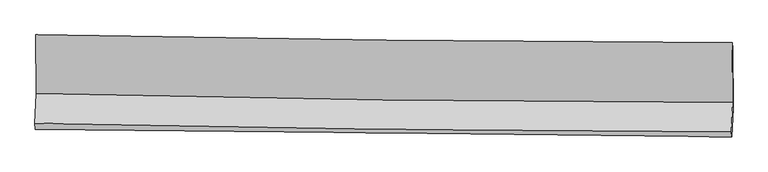
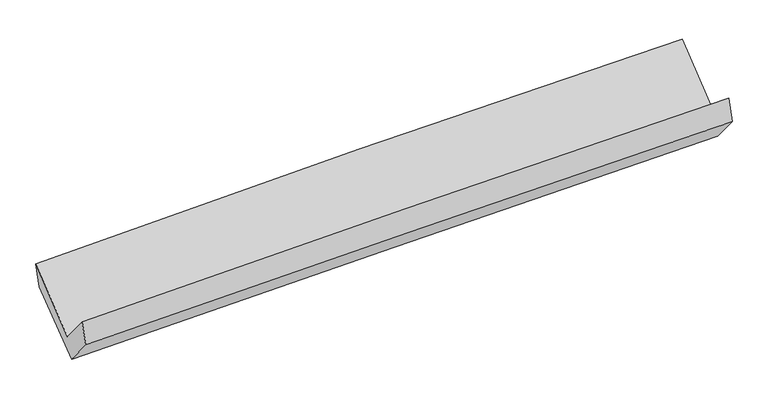
"""IFC4 building model written with IfcOpenShell, lengths in millimetres: proxy geometry."""

from ifc_helpers import new_model, si_unit, frame, origin, place, context, project, spatial, source, transform, mapped, element, save
from ifc_brep_helpers import plane_surface, spline_curve, spline_surface, advanced_brep


def generic_models_bc52483b(model_context):
    return source(origin(), model_context, "Body", "AdvancedBrep", [
        advanced_brep(
        [(-3018.292969, -1160.669814, 2152.8210504), (-3014.967945, -1670.4735003, 1736.0861121), (3005.9652437, -1745.7382436, 1894.2193115), (3002.2799324, -1230.4864732, 2315.3966714), (-3025.5612879, -1927.2039732, 2045.4226789), (2995.3680495, -2002.5620528, 2203.6683399), (-3021.5488432, -1980.161059, 1846.9359151), (2999.8573902, -2045.9438693, 1993.6449615), (-3011.4440889, -1735.2715675, 1551.86664), (3009.9799633, -1800.6225392, 1698.0553607), (-3014.3045378, -1215.1839023, 1954.5076129), (3006.746927, -1272.0673401, 2107.2407847)],
        [
            (0, 1),
            (1, 2, spline_curve(3, [(-3014.967945, -1670.4735003, 1736.0861121), (-2012.068680874, -1694.599694071, 1780.472392822), (-1008.866888138, -1712.934860275, 1815.843364264), (998.11086033, -1738.022751322, 1868.553875311), (2001.886796761, -1744.77583303, 1885.893970732), (3005.9652437, -1745.7382436, 1894.2193115)], [4, 2, 4], [0.0, 9.881522525070913, 19.762740822590324])),
            (2, 3),
            (3, 0, spline_curve(3, [(3002.2799324, -1230.4864732, 2315.3966714), (1998.232053339, -1226.03664506, 2309.923909899), (994.501423714, -1217.993820673, 2293.639935717), (-1012.356229872, -1194.721822478, 2239.448727664), (-2015.483234103, -1179.492426646, 2201.540828359), (-3018.292969, -1160.669814, 2152.8210504)], [4, 2, 4], [0.0, 9.88121829751941, 19.762740822590324])),
            (1, 4),
            (4, 5, spline_curve(3, [(-3025.5612879, -1927.2039732, 2045.4226789), (-2022.662665722, -1951.345722723, 2089.827703139), (-1019.461514872, -1969.696444785, 2125.217417706), (987.514949885, -1994.815448333, 2177.965416492), (1991.290244654, -2001.584085802, 2195.324255227), (2995.3680495, -2002.5620528, 2203.6683399)], [4, 2, 4], [0.0, 9.88174980975154, 19.763195384954045])),
            (5, 2),
            (4, 6),
            (6, 7, spline_curve(3, [(-3021.5488432, -1980.161059, 1846.9359151), (-2018.087780523, -1991.002410767, 1875.315297317), (-1014.565671084, -2001.905072816, 1901.730900361), (992.569743649, -2023.83268003, 1950.633794628), (1996.183045526, -2034.857621251, 1973.121207322), (2999.8573902, -2045.9438693, 1993.6449615)], [4, 2, 4], [0.0, 9.88142801816729, 19.76255181169271])),
            (7, 5),
            (6, 8),
            (8, 9, spline_curve(3, [(-3011.4440889, -1735.2715675, 1551.86664), (-2008.06786737, -1748.169046502, 1582.723466357), (-1004.586692493, -1760.063768958, 1610.334410318), (1002.554664368, -1781.847364506, 1659.063784143), (2006.214840689, -1791.736299317, 1680.18241344), (3009.9799633, -1800.6225392, 1698.0553607)], [4, 2, 4], [0.0, 9.881348543738067, 19.762392865281086])),
            (9, 7),
            (8, 10),
            (10, 11, spline_curve(3, [(-3014.3045378, -1215.1839023, 1954.5076129), (-2011.021247868, -1221.211655238, 1990.680988058), (-1007.61758825, -1228.965917664, 2021.495553092), (999.399574036, -1247.927170046, 2072.406280589), (2003.013069304, -1259.13405335, 2092.502772371), (3006.746927, -1272.0673401, 2107.2407847)], [4, 2, 4], [0.0, 9.881169645850814, 19.762035075014403])),
            (11, 9),
            (10, 0),
            (3, 11),
        ],
        [
            spline_surface(3, 3, [[(-3018.292969, -1160.669814, 2152.8210504), (-2015.483233942, -1179.492426797, 2201.540828233), (-1012.356229753, -1194.721822328, 2239.448727718), (994.501423595, -1217.993820823, 2293.639935663), (1998.232053181, -1226.036645003, 2309.923909825), (3002.2799324, -1230.4864732, 2315.3966714)], [(-3017.184627671, -1330.604376097, 2013.909404307), (-2014.345049611, -1351.194849192, 2061.184683156), (-1011.193115863, -1367.459501594, 2098.246939866), (995.704569103, -1391.336797661, 2151.944582281), (1999.450301049, -1398.94970765, 2168.580596812), (3003.508369489, -1402.237063339, 2175.004218093)], [(-3016.076286329, -1500.538938203, 1874.997758193), (-2013.206865268, -1522.897271597, 1920.828538057), (-1010.030001894, -1540.197180927, 1957.045151962), (996.907714689, -1564.679774565, 2010.249228846), (2000.66854895, -1571.862770281, 2027.23728382), (3004.736806611, -1573.987653461, 2034.611764807)], [(-3014.967945, -1670.4735003, 1736.0861121), (-2012.068680937, -1694.599693992, 1780.47239298), (-1008.866888004, -1712.934860194, 1815.84336411), (998.110860197, -1738.022751403, 1868.553875464), (2001.886796818, -1744.775832928, 1885.893970807), (3005.9652437, -1745.7382436, 1894.2193115)]], [4, 4], [4, 2, 4], [0.0, 2.1997986947496604], [0.0, 9.881522525070913, 19.762740822590324]),
            spline_surface(3, 3, [[(-3014.967945, -1670.4735003, 1736.0861121), (-2012.068680937, -1694.599693992, 1780.47239298), (-1008.866888004, -1712.934860194, 1815.84336411), (998.110860197, -1738.022751403, 1868.553875464), (2001.886796818, -1744.775832928, 1885.893970807), (3005.9652437, -1745.7382436, 1894.2193115)], [(-3018.499059299, -1756.050324595, 1839.19830101), (-2015.600009193, -1780.181703556, 1883.590829661), (-1012.398430221, -1798.522055106, 1918.968048659), (994.578890059, -1823.620317012, 1971.691055747), (1998.35461272, -1830.378583886, 1989.037398957), (3002.432845638, -1831.346179986, 1997.368987613)], [(-3022.030173601, -1841.627148905, 1942.31048999), (-2019.131337452, -1865.763713135, 1986.709266412), (-1015.929972496, -1884.109249997, 2022.092733272), (991.046919863, -1909.2178826, 2074.828236095), (1994.822428608, -1915.981334886, 2092.180827167), (2998.900447562, -1916.954116414, 2100.518663787)], [(-3025.5612879, -1927.2039732, 2045.4226789), (-2022.662665708, -1951.345722698, 2089.827703093), (-1019.461514713, -1969.696444909, 2125.21741782), (987.514949725, -1994.815448209, 2177.965416377), (1991.290244509, -2001.584085843, 2195.324255317), (2995.3680495, -2002.5620528, 2203.6683399)]], [4, 4], [4, 2, 4], [0.0, 1.3195775517905748], [0.0, 9.88174980975154, 19.763195384954045]),
            spline_surface(3, 3, [[(-3025.5612879, -1927.2039732, 2045.4226789), (-2022.662665708, -1951.345722698, 2089.827703093), (-1019.461514713, -1969.696444909, 2125.21741782), (987.514949725, -1994.815448209, 2177.965416377), (1991.290244509, -2001.584085843, 2195.324255317), (2995.3680495, -2002.5620528, 2203.6683399)], [(-3024.223806317, -1944.856335148, 1979.260424299), (-2021.137703995, -1964.564618732, 2018.323567838), (-1017.829566859, -1980.432654217, 2050.721911973), (989.199881064, -2004.487858818, 2102.188209198), (1992.92117815, -2012.67526436, 2121.256572668), (2996.864496408, -2017.022658296, 2133.660547111)], [(-3022.886324783, -1962.508697052, 1913.098169701), (-2019.61274233, -1977.783514724, 1946.819432587), (-1016.197619018, -1991.168863514, 1976.226406061), (990.884812391, -2014.160269416, 2026.411001954), (1994.552111767, -2023.766442888, 2047.188889985), (2998.360943292, -2031.483263804, 2063.652754289)], [(-3021.5488432, -1980.161059, 1846.9359151), (-2018.087780617, -1991.002410757, 1875.315297332), (-1014.565671164, -2001.905072822, 1901.730900214), (992.56974373, -2023.832680024, 1950.633794775), (1996.183045407, -2034.857621406, 1973.121207336), (2999.8573902, -2045.9438693, 1993.6449615)]], [4, 4], [4, 2, 4], [0.0, 0.7464983641308865], [0.0, 9.88142801816729, 19.76255181169271]),
            spline_surface(3, 3, [[(-3021.5488432, -1980.161059, 1846.9359151), (-2018.087780617, -1991.002410757, 1875.315297332), (-1014.565671164, -2001.905072822, 1901.730900214), (992.56974373, -2023.832680024, 1950.633794775), (1996.183045407, -2034.857621406, 1973.121207336), (2999.8573902, -2045.9438693, 1993.6449615)], [(-3018.18059176, -1898.531228511, 1748.579490082), (-2014.7478095, -1910.057956067, 1777.784687006), (-1011.239345011, -1921.291304869, 1804.59873694), (995.898050644, -1943.170908163, 1853.443791214), (1999.526977146, -1953.817180738, 1875.47494275), (3003.231581222, -1964.170092605, 1895.115094566)], [(-3014.81234034, -1816.901397989, 1650.223065018), (-2011.407838404, -1829.113501342, 1680.254076634), (-1007.913018805, -1840.677536946, 1707.466573655), (999.226357612, -1862.509136332, 1756.253787642), (2002.87090892, -1872.776740055, 1777.828678168), (3006.605772278, -1882.396315895, 1796.585227634)], [(-3011.4440889, -1735.2715675, 1551.86664), (-2008.067867287, -1748.169046652, 1582.723466308), (-1004.586692652, -1760.063768993, 1610.33441038), (1002.554664527, -1781.84736447, 1659.06378408), (2006.214840659, -1791.736299388, 1680.182413583), (3009.9799633, -1800.6225392, 1698.0553607)]], [4, 4], [4, 2, 4], [0.0, 1.2431923250175403], [0.0, 9.881348543738067, 19.762392865281086]),
            spline_surface(3, 3, [[(-3011.4440889, -1735.2715675, 1551.86664), (-2008.067867287, -1748.169046652, 1582.723466308), (-1004.586692652, -1760.063768993, 1610.33441038), (1002.554664527, -1781.84736447, 1659.06378408), (2006.214840659, -1791.736299388, 1680.182413583), (3009.9799633, -1800.6225392, 1698.0553607)], [(-3012.397571871, -1561.909012439, 1686.080297634), (-2009.052327481, -1572.516582852, 1718.709306846), (-1005.596991187, -1583.031151933, 1747.388124637), (1001.502967709, -1603.873966325, 1796.84461621), (2005.147583583, -1614.202217401, 1817.622533234), (3008.902284531, -1624.437472833, 1834.450502054)], [(-3013.351054829, -1388.546457361, 1820.293955266), (-2010.036787661, -1396.864119036, 1854.695147383), (-1006.607289737, -1405.998534805, 1884.441838924), (1000.451270875, -1425.900568112, 1934.62544837), (2004.080326515, -1436.668135416, 1955.062652823), (3007.824605769, -1448.252406467, 1970.845643346)], [(-3014.3045378, -1215.1839023, 1954.5076129), (-2011.021247854, -1221.211655237, 1990.680987921), (-1007.617588272, -1228.965917744, 2021.495553181), (999.399574058, -1247.927169967, 2072.4062805), (2003.013069439, -1259.13405343, 2092.502772474), (3006.746927, -1272.0673401, 2107.2407847)]], [4, 4], [4, 2, 4], [0.0, 2.2094621702940973], [0.0, 9.881169645850814, 19.762035075014403]),
            spline_surface(3, 3, [[(-3014.3045378, -1215.1839023, 1954.5076129), (-2011.021247854, -1221.211655237, 1990.680987921), (-1007.617588272, -1228.965917744, 2021.495553181), (999.399574058, -1247.927169967, 2072.4062805), (2003.013069439, -1259.13405343, 2092.502772474), (3006.746927, -1272.0673401, 2107.2407847)], [(-3015.634014882, -1197.012539511, 2020.612092069), (-2012.508576565, -1207.305245734, 2060.96760136), (-1009.197135417, -1217.551219271, 2094.146611349), (997.766857252, -1237.949386918, 2146.150832211), (2001.419397366, -1248.101583962, 2164.976484921), (3005.257928813, -1258.207051141, 2176.626080263)], [(-3016.963491918, -1178.841176789, 2086.716571231), (-2013.995905231, -1193.398836299, 2131.254214794), (-1010.776682608, -1206.136520801, 2166.797669549), (996.134140401, -1227.971603872, 2219.895383952), (1999.825725254, -1237.069114471, 2237.450197378), (3003.768930587, -1244.346762159, 2246.011375837)], [(-3018.292969, -1160.669814, 2152.8210504), (-2015.483233942, -1179.492426797, 2201.540828233), (-1012.356229753, -1194.721822328, 2239.448727718), (994.501423595, -1217.993820823, 2293.639935663), (1998.232053181, -1226.036645003, 2309.923909825), (3002.2799324, -1230.4864732, 2315.3966714)]], [4, 4], [4, 2, 4], [0.0, 0.7282736902652792], [0.0, 9.88106824278037, 19.761832271995463]),
            plane_surface(frame((3003.366251, -1682.9034197, 2035.370905), z_axis=(0.9996365435123855, -0.012412253309303206, 0.023931503137005632), x_axis=(-0.004836679513817061, 0.7907279286574037, 0.6121486333991546))),
            plane_surface(frame((-3017.686612, -1614.8273027, 1881.2733349), z_axis=(-0.999639222042048, 0.012787976988873137, -0.02361976713901471), x_axis=(0.01938876971658755, -0.2650067258888651, -0.9640516121258971))),
        ],
        [
            (0, [[1, 2, 3, 4]]),
            (1, [[5, 6, 7, -2]]),
            (2, [[8, 9, 10, -6]]),
            (3, [[11, 12, 13, -9]]),
            (4, [[14, 15, 16, -12]]),
            (5, [[17, -4, 18, -15]]),
            (6, [[-16, -18, -3, -7, -10, -13]]),
            (7, [[-17, -14, -11, -8, -5, -1]]),
        ],
    ),
    ])


if __name__ == "__main__":
    model = new_model("IFC4")
    model_context = context("Model", 3, world=origin())
    ifc_project = project(units=[si_unit("LENGTHUNIT", "METRE", prefix="MILLI")], contexts=[model_context])
    site = spatial("IfcSite", under=ifc_project)
    building = spatial("IfcBuilding", under=site)
    placement = place(None, origin())
    generic_models_shape = generic_models_bc52483b(model_context)
    element("IfcBuildingElementProxy", 1, Name="Generic Models", at=placement, inside=building, context=model_context, shape_type="MappedRepresentation", body=[
        mapped(generic_models_shape, transform((0.0, 0.0, 0.0), x_axis=(1.0, 0.0, 0.0), y_axis=(0.0, 1.0, 0.0), z_axis=(0.0, 0.0, 1.0))),
    ])
    save(model, "model.ifc")
